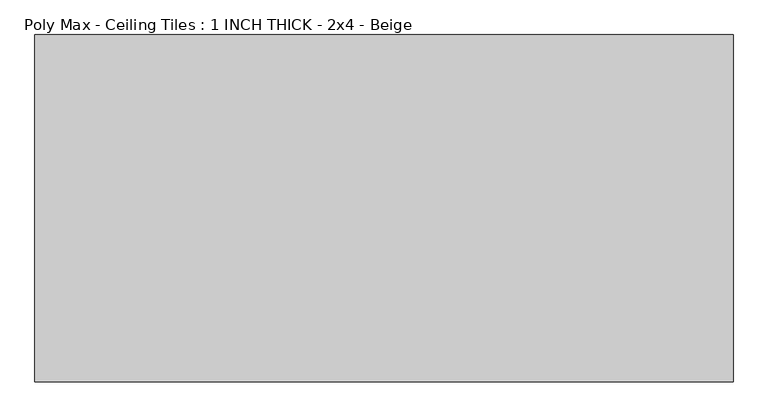
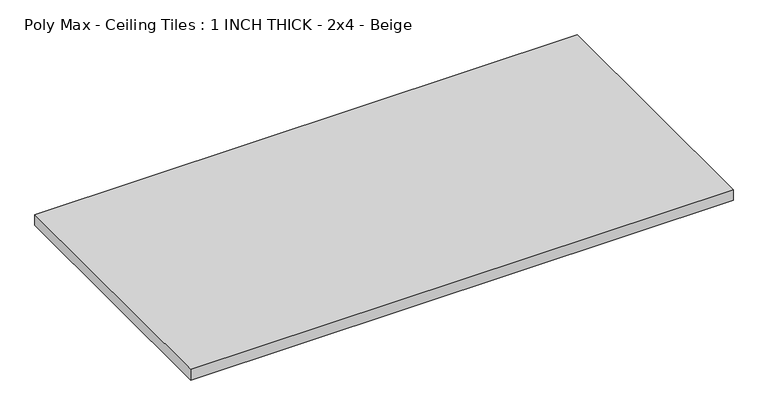
"""IFC4 building model written with IfcOpenShell, lengths in millimetres: proxy geometry, Poly Max - Ceiling Tiles : 1 INCH THICK - 2x4 - Beige."""

from ifc_helpers import new_model, si_unit, origin, origin_with_axes, place, context, project, spatial, polyline, outline, extrude, source, transform, mapped, element, save


def poly_max_ceiling_tiles_1_inch_thick_2x4_beige_982c58de(model_context):
    return source(origin(), model_context, "Body", "SweptSolid", [
        extrude(outline(polyline([(-606.425, 301.625), (606.425, 301.625), (606.425, -301.625), (-606.425, -301.625), (-606.425, 301.625)])), origin_with_axes(), (0.0, 0.0, 1.0), 25.4),
    ])


if __name__ == "__main__":
    model = new_model("IFC4")
    model_context = context("Model", 3, world=origin())
    ifc_project = project(units=[si_unit("LENGTHUNIT", "METRE", prefix="MILLI")], contexts=[model_context])
    site = spatial("IfcSite", under=ifc_project)
    building = spatial("IfcBuilding", under=site)
    placement = place(None, origin())
    poly_max_ceiling_tiles_1_inch_thick_2x4_beige_shape = poly_max_ceiling_tiles_1_inch_thick_2x4_beige_982c58de(model_context)
    element("IfcBuildingElementProxy", 1, Name="Poly Max - Ceiling Tiles : 1 INCH THICK - 2x4 - Beige", ObjectType="Poly Max - Ceiling Tiles : 1 INCH THICK - 2x4 - Beige", at=placement, inside=building, context=model_context, shape_type="MappedRepresentation", body=[
        mapped(poly_max_ceiling_tiles_1_inch_thick_2x4_beige_shape, transform((0.0, 0.0, 0.0), x_axis=(1.0, 0.0, 0.0), y_axis=(0.0, 1.0, 0.0), z_axis=(0.0, 0.0, 1.0))),
    ])
    save(model, "model.ifc")
